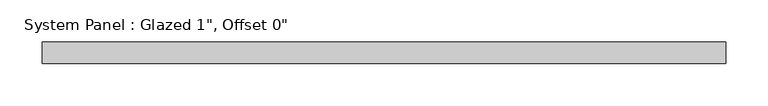
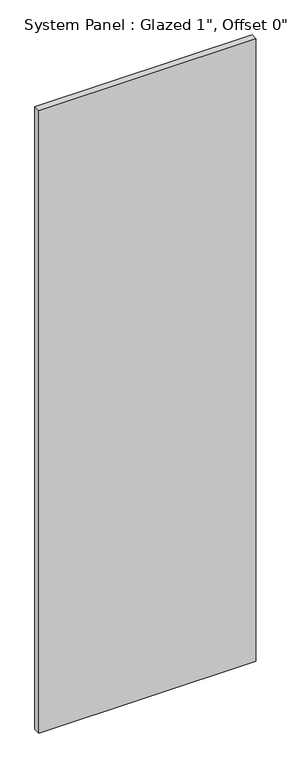
"""IFC4 building model written with IfcOpenShell, lengths in millimetres: plate geometry."""

import ifcopenshell
import ifcopenshell.guid

model = None  # the IFC model being written
_history = None  # IfcOwnerHistory: only IFC2X3 demands one
_inside = {}  # id of a spatial element -> (the spatial element, [elements in it])
_under = {}  # id of a project, library or spatial element -> (it, [spatial elements below it])
_declared = {}  # id of a project -> (the project, [libraries it declares])
_typed = {}  # id of a type object -> (the type object, [elements of that type])
_made_of = {}  # id of a material, layer set ... -> (it, [elements and type objects made of it])


def new_model(schema):
    """Start an empty IFC model of exactly this schema.

    Asked for "IFC4X3", IfcOpenShell would pick the latest addendum, in which some entities
    have other attributes; the version numbers below select the first issue.
    IFC2X3 requires an IfcOwnerHistory on every rooted entity: one is made here for all.
    """
    global model, _history
    if schema == "IFC4X3":
        model = ifcopenshell.file(schema_version=(4, 3, 0, 0))
    else:
        model = ifcopenshell.file(schema=schema)
    _inside.clear()
    _under.clear()
    _declared.clear()
    _typed.clear()
    _made_of.clear()
    _history = None
    if model.schema == "IFC2X3":
        org = make("IfcOrganization", Name="unknown")
        user = make(
            "IfcPersonAndOrganization",
            ThePerson=make("IfcPerson", FamilyName="unknown"),
            TheOrganization=org,
        )
        app = make(
            "IfcApplication",
            ApplicationDeveloper=org,
            Version="unknown",
            ApplicationFullName="unknown",
            ApplicationIdentifier="unknown",
        )
        _history = make(
            "IfcOwnerHistory",
            OwningUser=user,
            OwningApplication=app,
            ChangeAction="ADDED",
            CreationDate=0,
        )
    return model


def make(cls, **values):
    """One entity of the class cls with the attributes given. An attribute that is None is left unset."""
    return model.create_entity(
        cls, **{name: value for name, value in values.items() if value is not None}
    )


def rooted(cls, **values):
    """An entity with a GlobalId (a new one), such as an element, a storey or a relation."""
    return make(cls, GlobalId=ifcopenshell.guid.new(), OwnerHistory=_history, **values)


def si_unit(unit_type, name, prefix=None):
    """IfcSIUnit, for example si_unit("LENGTHUNIT", "METRE", prefix="MILLI")."""
    return make("IfcSIUnit", UnitType=unit_type, Prefix=prefix, Name=name)


def assignment(units):
    """IfcUnitAssignment: the units of a project."""
    return None if units is None else make("IfcUnitAssignment", Units=units)


def point(xyz):
    """IfcCartesianPoint."""
    return None if xyz is None else make("IfcCartesianPoint", Coordinates=xyz)


def direction(xyz):
    """IfcDirection."""
    return None if xyz is None else make("IfcDirection", DirectionRatios=xyz)


def frame(location, z_axis=None, x_axis=None):
    """IfcAxis2Placement3D, a coordinate frame: its origin and axes. An axis left out is left unset."""
    return make(
        "IfcAxis2Placement3D",
        Location=point(location),
        Axis=direction(z_axis),
        RefDirection=direction(x_axis),
    )


def origin():
    """The frame at (0, 0, 0) with its axes left unset."""
    return frame((0.0, 0.0, 0.0))


def origin_with_axes():
    """The frame at (0, 0, 0) with the z axis (0, 0, 1) and the x axis (1, 0, 0) written out."""
    return frame((0.0, 0.0, 0.0), z_axis=(0.0, 0.0, 1.0), x_axis=(1.0, 0.0, 0.0))


def place(relative_to, where):
    """IfcLocalPlacement: puts the frame where relative to a parent placement (None: the world)."""
    return make(
        "IfcLocalPlacement", PlacementRelTo=relative_to, RelativePlacement=where
    )


def context(
    kind, dimensions, precision=None, world=None, true_north=None, identifier=None
):
    """IfcGeometricRepresentationContext, for example the 3D "Model" context."""
    return make(
        "IfcGeometricRepresentationContext",
        ContextIdentifier=identifier,
        ContextType=kind,
        CoordinateSpaceDimension=dimensions,
        Precision=precision,
        WorldCoordinateSystem=world,
        TrueNorth=true_north,
    )


def project(units=None, contexts=None):
    """IfcProject with its units and contexts."""
    return rooted(
        "IfcProject",
        Name="project",
        RepresentationContexts=contexts,
        UnitsInContext=assignment(units),
    )


def spatial(cls, under=None, at=None, **own):
    """A site, building, storey or space (cls), placed at a placement, below another one or the project."""
    s = rooted(cls, ObjectPlacement=at, **own)
    if under is not None:
        _under.setdefault(under.id(), (under, []))[1].append(s)
    return s


def polyline(points):
    """IfcPolyline through the points."""
    return make("IfcPolyline", Points=[point(p) for p in points])


def outline(outer, holes=None, kind="AREA"):
    """IfcArbitraryClosedProfileDef: a profile drawn as a closed curve; with holes, ...WithVoids."""
    if holes is None:
        return make("IfcArbitraryClosedProfileDef", ProfileType=kind, OuterCurve=outer)
    return make(
        "IfcArbitraryProfileDefWithVoids",
        ProfileType=kind,
        OuterCurve=outer,
        InnerCurves=holes,
    )


def extrude(swept, where, along, depth):
    """IfcExtrudedAreaSolid: the profile swept, set in the frame where, extruded along a direction by depth."""
    return make(
        "IfcExtrudedAreaSolid",
        SweptArea=swept,
        Position=where,
        ExtrudedDirection=direction(along),
        Depth=depth,
    )


def shape(context_of_items, identifier, shape_type, items):
    """IfcShapeRepresentation: the items that make up one representation, for example the "Body"."""
    return make(
        "IfcShapeRepresentation",
        ContextOfItems=context_of_items,
        RepresentationIdentifier=identifier,
        RepresentationType=shape_type,
        Items=items,
    )


def source(mapping_origin, context_of_items, identifier, shape_type, items):
    """IfcRepresentationMap: a shape defined once, which mapped items show again and again."""
    return make(
        "IfcRepresentationMap",
        MappingOrigin=mapping_origin,
        MappedRepresentation=shape(context_of_items, identifier, shape_type, items),
    )


def transform(
    local_origin,
    x_axis=None,
    y_axis=None,
    z_axis=None,
    scale=None,
    scale2=None,
    scale3=None,
    uniform=True,
):
    """IfcCartesianTransformationOperator3D, or its non-uniform kind. x_axis, y_axis, z_axis: its Axis1, 2, 3."""
    if uniform:
        return make(
            "IfcCartesianTransformationOperator3D",
            Axis1=direction(x_axis),
            Axis2=direction(y_axis),
            LocalOrigin=point(local_origin),
            Scale=scale,
            Axis3=direction(z_axis),
        )
    return make(
        "IfcCartesianTransformationOperator3DnonUniform",
        Axis1=direction(x_axis),
        Axis2=direction(y_axis),
        LocalOrigin=point(local_origin),
        Scale=scale,
        Axis3=direction(z_axis),
        Scale2=scale2,
        Scale3=scale3,
    )


def mapped(mapping_source, mapping_target):
    """IfcMappedItem: shows the shape of a source again, moved by a transform."""
    return make(
        "IfcMappedItem", MappingSource=mapping_source, MappingTarget=mapping_target
    )


def made_of(thing, what):
    """Note that an element or type object is made of a material, layer set ...; save() writes the relation."""
    if what is not None:
        _made_of.setdefault(what.id(), (what, []))[1].append(thing)
    return thing


def element(
    cls,
    number,
    at=None,
    inside=None,
    cuts=None,
    type_object=None,
    material=None,
    context=None,
    identifier="Body",
    shape_type=None,
    held_by="IfcProductDefinitionShape",
    body=None,
    shapes=None,
    **own,
):
    """One element of the class cls, such as IfcWall. Its Tag is "e" and its number.

    at: its placement. inside: the storey or other place that contains it. cuts: it is an
    opening in that element (IfcRelVoidsElement). A single representation is given by context,
    identifier, shape_type and body (its items); several are given by shapes. held_by: the class
    of the entity that holds the representations. save() writes the other relations.
    """
    e = rooted(cls, Tag="e%d" % number, ObjectPlacement=at, **own)
    if body is not None:
        shapes = [shape(context, identifier, shape_type, body)]
    if shapes is not None:
        e.Representation = make(held_by, Representations=shapes)
    if inside is not None:
        _inside.setdefault(inside.id(), (inside, []))[1].append(e)
    if cuts is not None:
        rooted(
            "IfcRelVoidsElement", RelatingBuildingElement=cuts, RelatedOpeningElement=e
        )
    if type_object is not None:
        _typed.setdefault(type_object.id(), (type_object, []))[1].append(e)
    return made_of(e, material)


def aggregate(whole, parts):
    """IfcRelAggregates: a whole, such as a stair, and the parts it consists of."""
    return rooted("IfcRelAggregates", RelatingObject=whole, RelatedObjects=parts)


def save(model, path):
    """Write the relations noted so far, then the file.

    IfcRelAggregates (storeys below a building ...), IfcRelContainedInSpatialStructure (elements
    in a storey), IfcRelDefinesByType, IfcRelAssociatesMaterial and IfcRelDeclares: one each for
    every whole, place, type object, material and project.
    """
    for whole, parts in _under.values():
        aggregate(whole, parts)
    for where, things in _inside.values():
        rooted(
            "IfcRelContainedInSpatialStructure",
            RelatedElements=things,
            RelatingStructure=where,
        )
    for kind, things in _typed.values():
        rooted("IfcRelDefinesByType", RelatedObjects=things, RelatingType=kind)
    for what, things in _made_of.values():
        rooted("IfcRelAssociatesMaterial", RelatedObjects=things, RelatingMaterial=what)
    for by, libraries in _declared.values():
        rooted("IfcRelDeclares", RelatingContext=by, RelatedDefinitions=libraries)
    model.write(path)


def plate_e0804695(model_context):
    return source(origin(), model_context, "Body", "SweptSolid", [
        extrude(outline(polyline([(404.8125, -12.7), (-404.8125, -12.7), (-404.8125, 12.7), (404.8125, 12.7), (404.8125, -12.7)])), origin_with_axes(), (0.0, 0.0, 1.0), 2453.2166667),
    ])


if __name__ == "__main__":
    model = new_model("IFC4")
    model_context = context("Model", 3, world=origin())
    ifc_project = project(units=[si_unit("LENGTHUNIT", "METRE", prefix="MILLI")], contexts=[model_context])
    site = spatial("IfcSite", under=ifc_project)
    building = spatial("IfcBuilding", under=site)
    placement = place(None, origin())
    plate_shape = plate_e0804695(model_context)
    element("IfcPlate", 1, ObjectType="System Panel : Glazed 1\", Offset 0\"", at=placement, inside=building, context=model_context, shape_type="MappedRepresentation", body=[
        mapped(plate_shape, transform((0.0, 0.0, 0.0), x_axis=(1.0, 0.0, 0.0), y_axis=(0.0, 1.0, 0.0), z_axis=(0.0, 0.0, 1.0))),
    ])
    save(model, "model.ifc")
